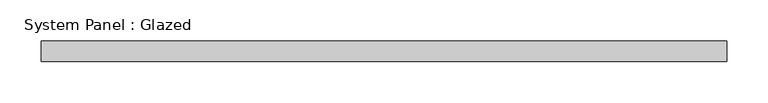
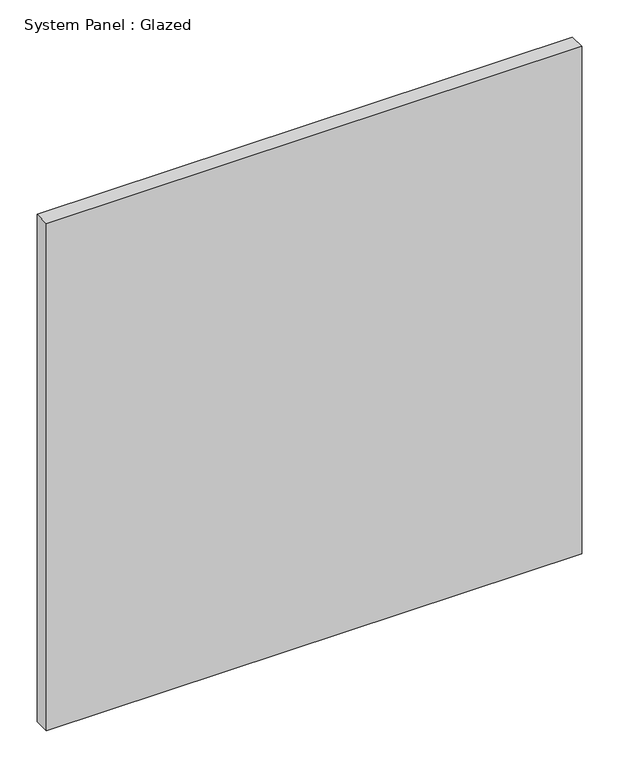
"""IFC4 building model written with IfcOpenShell, lengths in millimetres: plate geometry, System Panel : Glazed."""

from ifc_helpers import new_model, si_unit, origin, origin_with_axes, place, context, project, spatial, polyline, outline, extrude, source, transform, mapped, element, save


def system_panel_glazed_2bb33e96(model_context):
    return source(origin(), model_context, "Body", "SweptSolid", [
        extrude(outline(polyline([(417.45, 19.05), (-417.45, 19.05), (-417.45, 44.45), (417.45, 44.45), (417.45, 19.05)])), origin_with_axes(), (0.0, 0.0, 1.0), 836.5),
    ])


if __name__ == "__main__":
    model = new_model("IFC4")
    model_context = context("Model", 3, world=origin())
    ifc_project = project(units=[si_unit("LENGTHUNIT", "METRE", prefix="MILLI")], contexts=[model_context])
    site = spatial("IfcSite", under=ifc_project)
    building = spatial("IfcBuilding", under=site)
    placement = place(None, origin())
    system_panel_glazed_shape = system_panel_glazed_2bb33e96(model_context)
    element("IfcPlate", 1, ObjectType="System Panel : Glazed", at=placement, inside=building, context=model_context, shape_type="MappedRepresentation", body=[
        mapped(system_panel_glazed_shape, transform((0.0, 0.0, 0.0), x_axis=(1.0, 0.0, 0.0), y_axis=(0.0, 1.0, 0.0), z_axis=(0.0, 0.0, 1.0))),
    ])
    save(model, "model.ifc")
